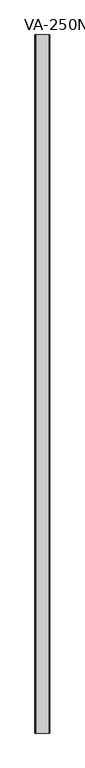
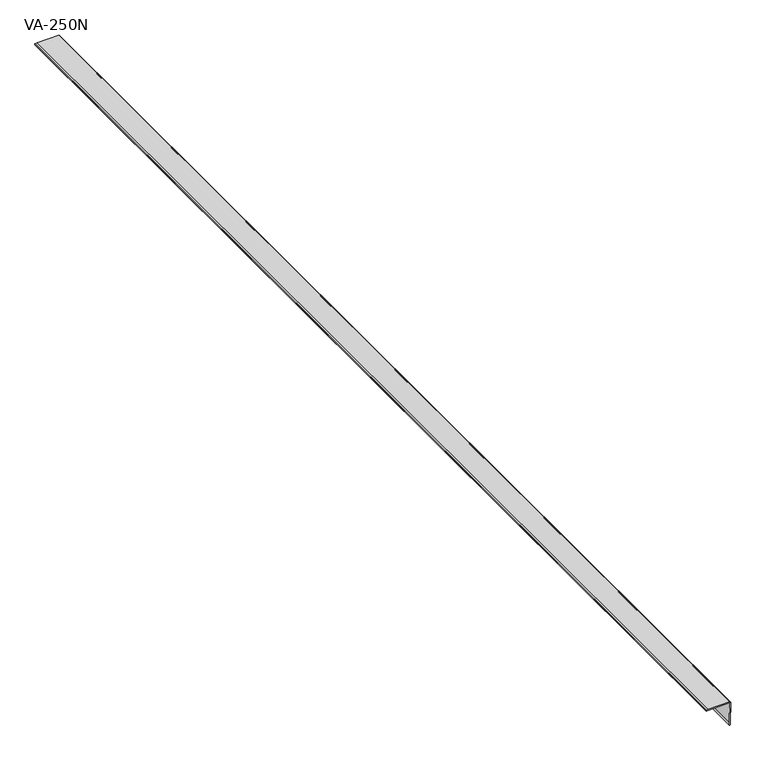
"""IFC4 building model written with IfcOpenShell, lengths in millimetres: proxy geometry, VA-250N."""

from ifc_helpers import new_model, si_unit, point, frame, frame_2d, origin, place, context, project, spatial, polyline, circle_curve, trimmed, segment, composite_curve, outline, extrude, source, transform, mapped, element, save


def va_250n_95153d3a(model_context):
    return source(origin(), model_context, "Body", "SweptSolid", [
        extrude(outline(composite_curve([segment(polyline([(3.8784431, -52.9293413), (3.184836, -58.2942281)]), True, "CONTINUOUS"), segment(trimmed(circle_curve(frame_2d((2.0206181, -58.1437105)), 1.1739076), [point((3.184836, -58.2942281))], [point((1.9962575, -59.3173653))], False, "CARTESIAN"), True, "CONTINUOUS"), segment(polyline([(1.9962575, -59.3173653), (0.7538481, -59.2286217), (1.5399701, -52.7582335), (2.5095808, 1.7110778)]), True, "CONTINUOUS"), segment(trimmed(circle_curve(frame_2d((1.7110778, 1.7110778)), 0.798503), [point((2.5095808, 1.7110778))], [point((1.7110778, 2.5095808))], True, "CARTESIAN"), True, "CONTINUOUS"), segment(polyline([(1.7110778, 2.5095808), (-52.7011976, 1.5399701), (-59.2603293, 0.7430662), (-59.2603293, 1.9962575)]), True, "CONTINUOUS"), segment(trimmed(circle_curve(frame_2d((-58.0847663, 2.0275007)), 1.1759781), [point((-59.2603293, 1.9962575))], [point((-58.2336826, 3.194012))], False, "CARTESIAN"), True, "CONTINUOUS"), segment(polyline([(-58.2336826, 3.194012), (-52.8723054, 3.8784431), (2.5086553, 4.7919435)]), True, "CONTINUOUS"), segment(trimmed(circle_curve(frame_2d((2.5086553, 2.4525449)), 2.3393986), [point((2.5086553, 4.7919435))], [point((4.8480539, 2.4525449))], False, "CARTESIAN"), True, "CONTINUOUS"), segment(polyline([(4.8480539, 2.4525449), (3.8784431, -52.9293413)]), True, "CONTINUOUS")], self_intersect=False)), frame((0.0, -1141.4125, 0.0), z_axis=(0.0, 1.0, 0.0), x_axis=(0.0, 0.0, 1.0)), (0.0, 0.0, 1.0), 3021.0125),
    ])


if __name__ == "__main__":
    model = new_model("IFC4")
    model_context = context("Model", 3, world=origin())
    ifc_project = project(units=[si_unit("LENGTHUNIT", "METRE", prefix="MILLI")], contexts=[model_context])
    site = spatial("IfcSite", under=ifc_project)
    building = spatial("IfcBuilding", under=site)
    placement = place(None, origin())
    va_250n_shape = va_250n_95153d3a(model_context)
    element("IfcBuildingElementProxy", 1, Name="VA-250N", ObjectType="VA-250N", at=placement, inside=building, context=model_context, shape_type="MappedRepresentation", body=[
        mapped(va_250n_shape, transform((0.0, 0.0, 0.0), x_axis=(1.0, 0.0, 0.0), y_axis=(0.0, 1.0, 0.0), z_axis=(0.0, 0.0, 1.0))),
    ])
    save(model, "model.ifc")
